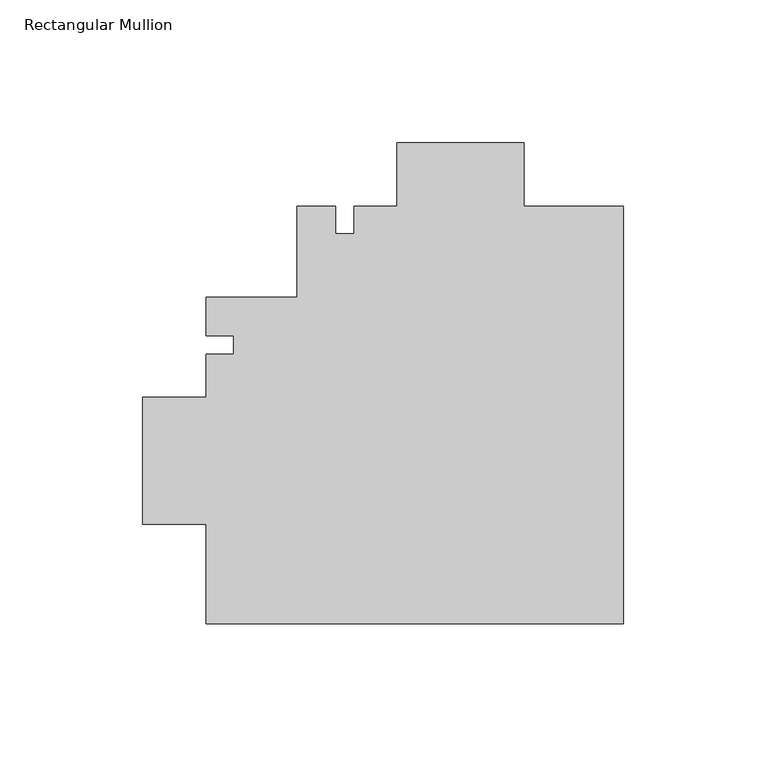
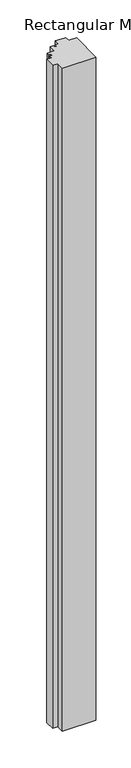
"""IFC4 building model written with IfcOpenShell, lengths in millimetres: member geometry, Rectangular Mullion."""

from ifc_helpers import new_model, si_unit, frame, origin, place, context, project, spatial, polyline, outline, extrude, source, transform, mapped, element, save


def rectangular_mullion_b6a043b8(model_context):
    return source(origin(), model_context, "Body", "SweptSolid", [
        extrude(outline(polyline([(0.0, -57.5899022), (-146.0627, -57.6023482), (-146.0627, -22.7662482), (-168.2877, -22.7662482), (-168.2877, 21.6837518), (-146.0627, 21.6837518), (-146.0627, 36.6386027), (-136.5377, 36.6386027), (-136.5377, 43.078841), (-146.0627, 43.078841), (-146.0627, 56.6976518), (-114.3, 56.6976518), (-114.3, 88.4600978), (-100.6811892, 88.4600978), (-100.6811892, 78.9350978), (-94.2409508, 78.9350978), (-94.2409508, 88.4600978), (-79.2861, 88.4600978), (-79.2861, 110.6850978), (-34.8361, 110.6850978), (-34.8361, 88.4600978), (0.0, 88.4600978), (0.0, -57.5899022)])), frame((0.0, 0.0, -3048.0), z_axis=(0.0, 0.0, 1.0), x_axis=(1.0, 0.0, 0.0)), (0.0, 0.0, 1.0), 3048.0),
    ])


if __name__ == "__main__":
    model = new_model("IFC4")
    model_context = context("Model", 3, world=origin())
    ifc_project = project(units=[si_unit("LENGTHUNIT", "METRE", prefix="MILLI")], contexts=[model_context])
    site = spatial("IfcSite", under=ifc_project)
    building = spatial("IfcBuilding", under=site)
    placement = place(None, origin())
    rectangular_mullion_shape = rectangular_mullion_b6a043b8(model_context)
    element("IfcMember", 1, ObjectType="Rectangular Mullion", at=placement, inside=building, context=model_context, shape_type="MappedRepresentation", body=[
        mapped(rectangular_mullion_shape, transform((0.0, 0.0, 0.0), x_axis=(1.0, 0.0, 0.0), y_axis=(0.0, 1.0, 0.0), z_axis=(0.0, 0.0, 1.0))),
    ])
    save(model, "model.ifc")
